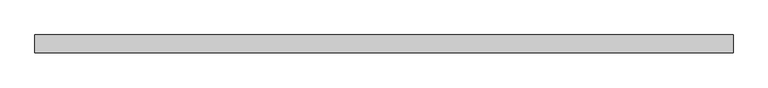
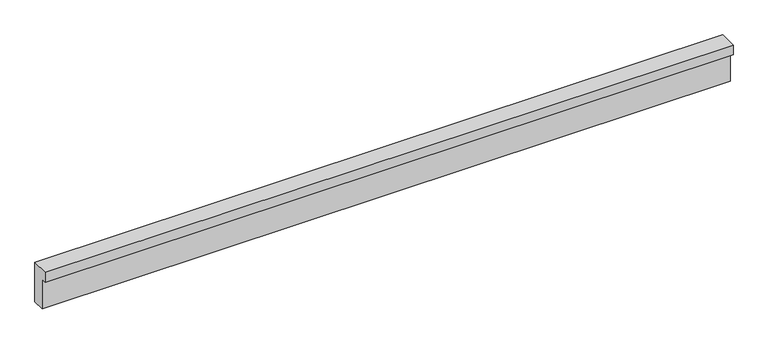
"""IFC4 building model written with IfcOpenShell, lengths in millimetres: fastener geometry."""

from ifc_helpers import new_model, si_unit, frame, origin, place, context, project, spatial, polyline, outline, extrude, source, transform, mapped, element, save


def fastener_74888251(model_context):
    return source(origin(), model_context, "Body", "SweptSolid", [
        extrude(outline(polyline([(3858.7452581, 5380.0), (3858.7452581, 5680.0), (3808.7452581, 5680.0), (3808.7452581, 5780.0), (3978.7452581, 5780.0), (3978.7452581, 5380.0), (3858.7452581, 5380.0)])), frame((-7467.9488808, 0.0, 0.0), z_axis=(1.0, 0.0, 0.0), x_axis=(0.0, 1.0, 0.0)), (0.0, 0.0, 1.0), 6610.0019033),
    ])


if __name__ == "__main__":
    model = new_model("IFC4")
    model_context = context("Model", 3, world=origin())
    ifc_project = project(units=[si_unit("LENGTHUNIT", "METRE", prefix="MILLI")], contexts=[model_context])
    site = spatial("IfcSite", under=ifc_project)
    building = spatial("IfcBuilding", under=site)
    placement = place(None, origin())
    fastener_shape = fastener_74888251(model_context)
    element("IfcFastener", 1, at=placement, inside=building, context=model_context, shape_type="MappedRepresentation", body=[
        mapped(fastener_shape, transform((0.0, 0.0, 0.0), x_axis=(1.0, 0.0, 0.0), y_axis=(0.0, 1.0, 0.0), z_axis=(0.0, 0.0, 1.0))),
    ])
    save(model, "model.ifc")
